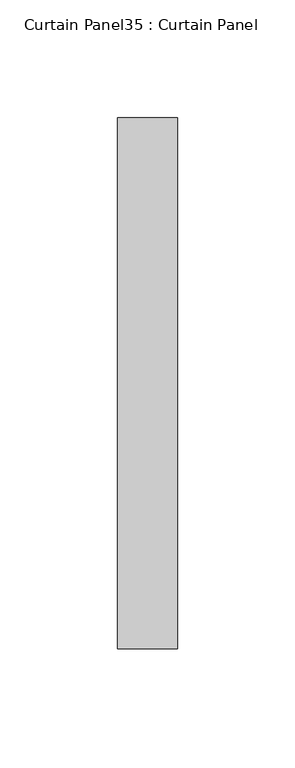
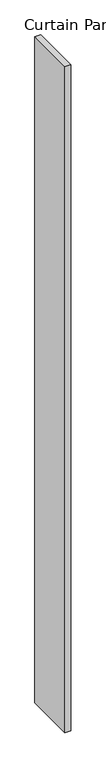
"""IFC4 building model written with IfcOpenShell, lengths in millimetres: plate geometry, Curtain Panel35 : Curtain Panel."""

from ifc_helpers import new_model, si_unit, frame, origin, place, context, project, spatial, polyline, outline, extrude, source, transform, mapped, element, save


def curtain_panel35_curtain_panel_12141953(model_context):
    return source(origin(), model_context, "Body", "SweptSolid", [
        extrude(outline(polyline([(45922.8073831, 1998.2227248), (45922.8073831, 2223.6432291), (45948.2073831, 2223.6432291), (45948.2073831, 1998.2227248), (45922.8073831, 1998.2227248)])), frame((0.0, 0.0, -626.2681873), z_axis=(0.0, 0.0, 1.0), x_axis=(1.0, 0.0, 0.0)), (0.0, 0.0, 1.0), 3048.0),
    ])


if __name__ == "__main__":
    model = new_model("IFC4")
    model_context = context("Model", 3, world=origin())
    ifc_project = project(units=[si_unit("LENGTHUNIT", "METRE", prefix="MILLI")], contexts=[model_context])
    site = spatial("IfcSite", under=ifc_project)
    building = spatial("IfcBuilding", under=site)
    placement = place(None, origin())
    curtain_panel35_curtain_panel_shape = curtain_panel35_curtain_panel_12141953(model_context)
    element("IfcPlate", 1, ObjectType="Curtain Panel35 : Curtain Panel", at=placement, inside=building, context=model_context, shape_type="MappedRepresentation", body=[
        mapped(curtain_panel35_curtain_panel_shape, transform((0.0, 0.0, 0.0), x_axis=(1.0, 0.0, 0.0), y_axis=(0.0, 1.0, 0.0), z_axis=(0.0, 0.0, 1.0))),
    ])
    save(model, "model.ifc")
